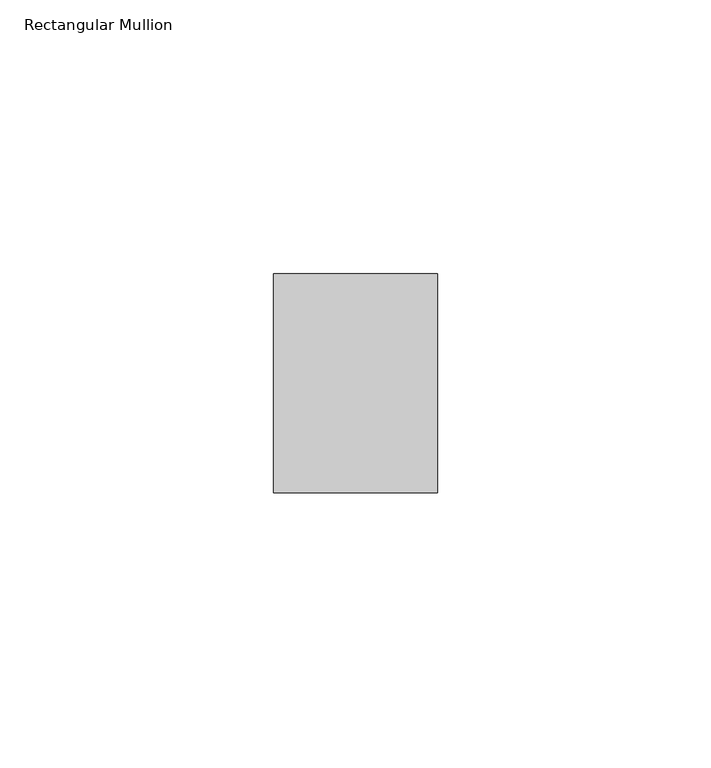
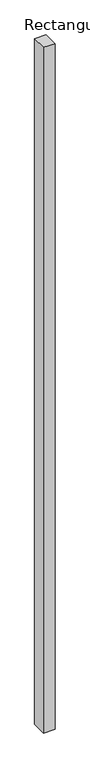
"""IFC4 building model written with IfcOpenShell, lengths in millimetres: member geometry, Rectangular Mullion."""

from ifc_helpers import new_model, si_unit, frame, origin, place, context, project, spatial, polyline, outline, extrude, source, transform, mapped, element, save


def rectangular_mullion_a8747605(model_context):
    return source(origin(), model_context, "Body", "SweptSolid", [
        extrude(outline(polyline([(0.0, 52.0), (0.0, 12.0), (-30.0, 12.0), (-30.0, 52.0), (0.0, 52.0)])), frame((0.0, 0.0, -1900.0000001), z_axis=(0.0, 0.0, 1.0), x_axis=(1.0, 0.0, 0.0)), (0.0, 0.0, 1.0), 1900.0000001),
    ])


if __name__ == "__main__":
    model = new_model("IFC4")
    model_context = context("Model", 3, world=origin())
    ifc_project = project(units=[si_unit("LENGTHUNIT", "METRE", prefix="MILLI")], contexts=[model_context])
    site = spatial("IfcSite", under=ifc_project)
    building = spatial("IfcBuilding", under=site)
    placement = place(None, origin())
    rectangular_mullion_shape = rectangular_mullion_a8747605(model_context)
    element("IfcMember", 1, ObjectType="Rectangular Mullion", at=placement, inside=building, context=model_context, shape_type="MappedRepresentation", body=[
        mapped(rectangular_mullion_shape, transform((0.0, 0.0, 0.0), x_axis=(1.0, 0.0, 0.0), y_axis=(0.0, 1.0, 0.0), z_axis=(0.0, 0.0, 1.0))),
    ])
    save(model, "model.ifc")
